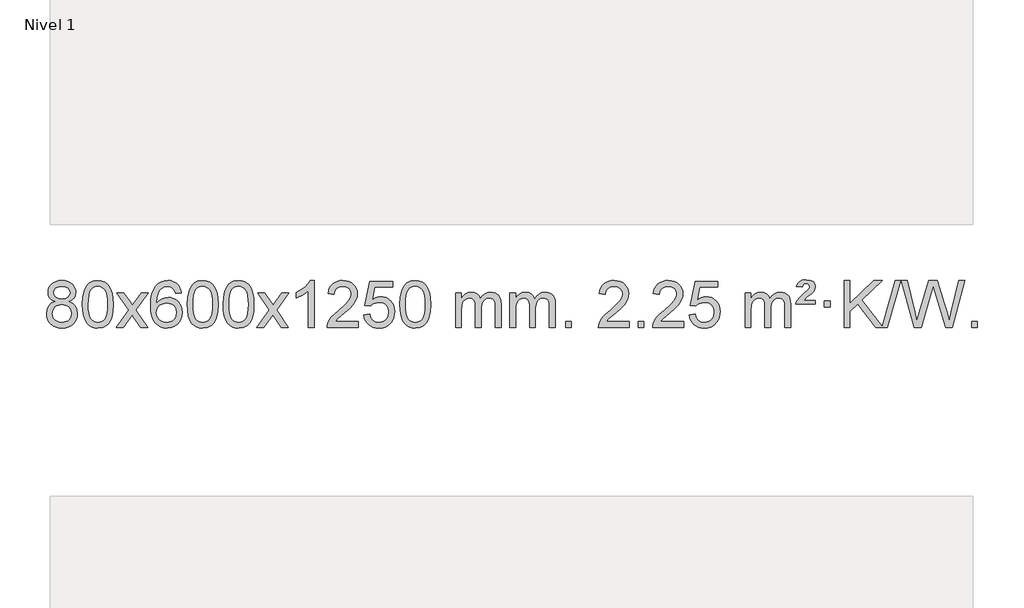
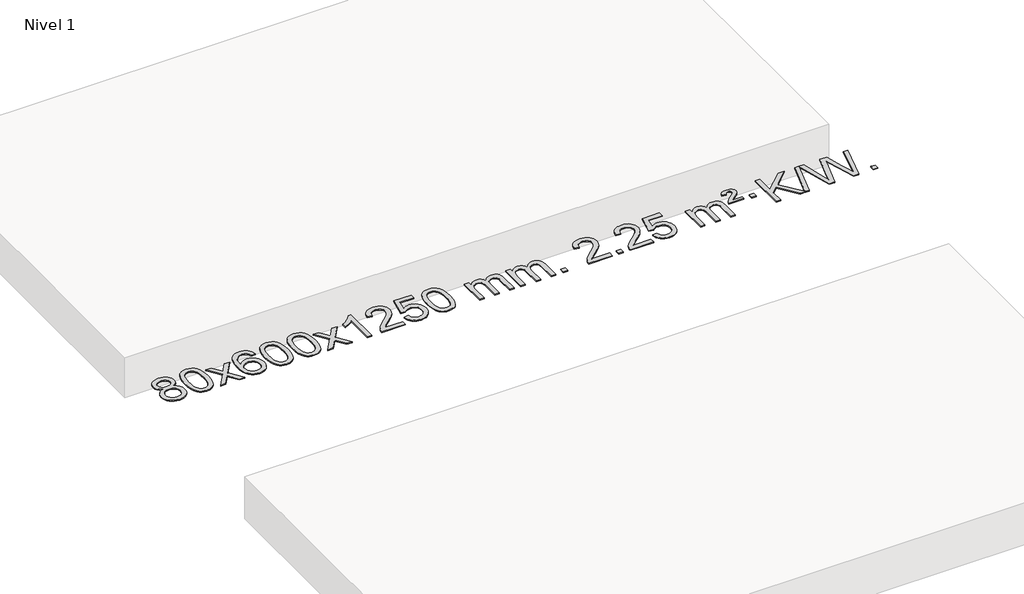
# One storey, part 4 of 10: 1 proxy.
"""IFC4 building model written with IfcOpenShell, lengths in millimetres."""

from ifc_helpers import new_model, si_unit, origin, origin_with_axes, place, context, project, spatial, polyline, outline, extrude, element, save

model = new_model("IFC4")

# Units and contexts
model_context = context("Model", 3, world=origin())
ifc_project = project(units=[si_unit("LENGTHUNIT", "METRE", prefix="MILLI")], contexts=[model_context])

# Site, building, storey
site = spatial("IfcSite", under=ifc_project)
building = spatial("IfcBuilding", under=site)
storey = spatial("IfcBuildingStorey", under=building, Name="Nivel 1", Elevation=0.0)

# Proxy
placement = place(None, origin())
element("IfcBuildingElementProxy", 1, Name="Texto de modelo 1", ObjectType="Texto de modelo 1", at=placement, inside=storey, context=model_context, shape_type="SweptSolid", body=[
    extrude(outline(polyline([(-30019.0257835, -5885.7435675), (-30045.9179573, -5872.4998157), (-30064.7903037, -5854.5471743), (-30075.9371281, -5832.2535254), (-30079.6527363, -5805.9867509), (-30077.6293853, -5785.5018552), (-30071.5593324, -5766.7214793), (-30061.4425775, -5749.6456234), (-30047.2791207, -5734.2742874), (-30029.7495437, -5721.5700958), (-30009.534428, -5712.4956732), (-29986.6337738, -5707.0510197), (-29961.0475811, -5705.2361352), (-29935.338761, -5707.0939393), (-29912.2664285, -5712.6673515), (-29891.8305837, -5721.9563719), (-29874.0312265, -5734.9610004), (-29859.6102523, -5750.6327734), (-29849.3095564, -5767.9232272), (-29843.1291389, -5786.8323617), (-29841.0689997, -5807.3601771), (-29844.7355569, -5832.7808229), (-29855.7352286, -5854.6943271), (-29874.190642, -5872.5366039), (-29900.2244245, -5885.7435675), (-29869.3100742, -5901.6728579), (-29846.8079588, -5925.1314665), (-29833.0859604, -5954.9912217), (-29828.5119609, -5990.1239523), (-29830.7805666, -6015.1767161), (-29837.5863835, -6038.1448154), (-29848.9294117, -6059.02825), (-29864.8096511, -6077.8270199), (-29884.393236, -6093.3639028), (-29906.8463004, -6104.4616764), (-29932.1688444, -6111.1203405), (-29960.360868, -6113.3398952), (-29988.5528916, -6111.1111434), (-30013.8754356, -6104.4248882), (-30036.3285, -6093.2811294), (-30055.9120849, -6077.6798671), (-30071.7923243, -6058.7492728), (-30083.1353525, -6037.6175178), (-30089.9411694, -6014.2846023), (-30092.2097751, -5988.7505262), (-30087.4518346, -5952.2566322), (-30073.1780132, -5922.2374614), (-30050.1240748, -5899.7230833), (-30019.0257835, -5885.7435675)]), holes=[polyline([(-30029.4245812, -5807.4582789), (-30024.9732091, -5829.3840458), (-30011.6190927, -5846.8952288), (-29989.7546394, -5858.3731471), (-29959.7722568, -5862.1991198), (-29930.48885, -5858.3976725), (-29908.9554905, -5846.9933307), (-29895.7117387, -5830.0707589), (-29891.2971548, -5809.7146218), (-29895.8588915, -5788.5859326), (-29909.5441017, -5771.1115378), (-29931.3717668, -5759.3761022), (-29960.360868, -5755.4642903), (-29989.5339102, -5759.290263), (-30011.3247871, -5770.7681813), (-30024.8996327, -5787.5926512), (-30029.4245812, -5807.4582789)]), polyline([(-30041.98162, -5986.9846926), (-30039.8846926, -6006.2003955), (-30033.5939105, -6024.8029617), (-30021.9811022, -6041.0265577), (-30003.9180962, -6053.1053498), (-29982.2866349, -6060.6101425), (-29959.9684605, -6063.1117401), (-29925.7799604, -6057.8510276), (-29911.8862838, -6051.2751369), (-29900.1263227, -6042.06889), (-29884.0866677, -6018.168823), (-29878.740116, -5988.5543224), (-29884.2583459, -5958.4370498), (-29900.8130357, -5934.0096853), (-29912.8918279, -5924.5673807), (-29927.0552847, -5917.8228775), (-29961.6361922, -5912.4272749), (-29995.3464457, -5917.7493011), (-30009.0837726, -5924.4018338), (-30020.7425661, -5933.7153797), (-30036.6718565, -5957.6767603), (-30041.98162, -5986.9846926)])]), origin_with_axes(), (0.0, 0.0, 1.0), 10.0),
    extrude(outline(polyline([(-29784.5623252, -5909.3861171), (-29780.8712425, -5845.0680816), (-29769.7979945, -5793.7730687), (-29751.4529457, -5754.7162636), (-29739.5948827, -5739.4828833), (-29725.9464607, -5727.1128512), (-29710.4616944, -5717.5417879), (-29693.0945985, -5710.7053142), (-29652.7134182, -5705.2361352), (-29621.7622796, -5708.4734968), (-29594.0485027, -5718.1855814), (-29570.871937, -5733.9922445), (-29553.5324323, -5755.5133412), (-29540.4358332, -5782.5649306), (-29529.9879846, -5814.9630716), (-29523.1453795, -5856.1045414), (-29520.8645111, -5909.3861171), (-29524.5188056, -5973.3362706), (-29535.481689, -6024.5086561), (-29553.7163733, -6063.6022494), (-29565.5468451, -6078.881615), (-29579.1860701, -6091.3160264), (-29594.6892305, -6100.951469), (-29612.1115086, -6107.833928), (-29652.7134182, -6113.3398952), (-29680.3781442, -6110.9486622), (-29704.9036105, -6103.7749633), (-29726.2898172, -6091.8187985), (-29744.5367642, -6075.0801677), (-29762.0479471, -6044.8218736), (-29774.555935, -6007.1201004), (-29782.0607277, -5961.9748483), (-29784.5623252, -5909.3861171)]), holes=[polyline([(-29734.3341702, -5909.2880152), (-29732.8626422, -5952.9525423), (-29728.4480582, -5988.296805), (-29721.0904183, -6015.3208033), (-29710.7897225, -6034.024537), (-29698.3307856, -6046.7501884), (-29684.4984225, -6055.8399393), (-29669.2926334, -6061.2937899), (-29652.7134182, -6063.1117401), (-29636.1342029, -6061.2876586), (-29620.9284138, -6055.8154139), (-29607.0960508, -6046.6950061), (-29594.6371139, -6033.9264352), (-29584.336418, -6015.1920446), (-29576.9787781, -5988.1741777), (-29572.5641941, -5952.8728346), (-29571.0926662, -5909.2880152), (-29572.5151432, -5866.7792507), (-29576.7825744, -5832.0573217), (-29583.8949596, -5805.1222283), (-29593.8522989, -5785.9739704), (-29606.1027694, -5772.6259854), (-29620.0945479, -5763.0917103), (-29635.8276346, -5757.3711453), (-29653.3020294, -5755.4642903), (-29669.7954055, -5757.1442847), (-29684.7436772, -5762.1842681), (-29698.1468446, -5770.5842403), (-29710.0049075, -5782.3442014), (-29720.6489599, -5803.1908478), (-29728.2518545, -5831.2970322), (-29732.8135912, -5866.6627547), (-29734.3341702, -5909.2880152)])]), origin_with_axes(), (0.0, 0.0, 1.0), 10.0),
    extrude(outline(polyline([(-29495.7504336, -6107.0613758), (-29388.4269928, -5958.7313553), (-29489.4719142, -5811.9709647), (-29429.0411651, -5811.9709647), (-29380.284538, -5882.6043078), (-29357.5249052, -5915.958942), (-29337.8064303, -5888.6866235), (-29282.2807745, -5811.9709647), (-29221.8500254, -5811.9709647), (-29327.9962438, -5958.7313553), (-29225.7741, -6107.0613758), (-29286.2048491, -6107.0613758), (-29347.7147187, -6017.8867802), (-29358.9964332, -6001.6018705), (-29435.3196845, -6107.0613758), (-29495.7504336, -6107.0613758)])), origin_with_axes(), (0.0, 0.0, 1.0), 10.0),
    extrude(outline(polyline([(-28936.9622083, -5811.9709647), (-28987.1903634, -5818.2494841), (-28995.2837673, -5793.3561358), (-29006.2221253, -5776.3599876), (-29029.0062835, -5760.6882146), (-29056.5483822, -5755.4642903), (-29079.8966262, -5758.5054481), (-29101.8714441, -5767.6289216), (-29120.7437904, -5786.8446245), (-29136.158046, -5813.2953399), (-29146.5691065, -5850.7089388), (-29150.4318674, -5902.8132921), (-29130.2841968, -5879.3056326), (-29106.1388752, -5862.7386801), (-29079.3448032, -5852.9162308), (-29051.2508815, -5849.642081), (-29027.1178226, -5851.8800298), (-29004.8486992, -5858.5938763), (-28984.4435112, -5869.7836203), (-28965.9022586, -5885.4492619), (-28950.4941344, -5904.6588334), (-28939.4883314, -5926.4803671), (-28932.8848496, -5950.9138629), (-28930.683689, -5977.959321), (-28934.8284928, -6013.9259174), (-28947.2629042, -6047.2682889), (-28966.9568537, -6075.5461515), (-28992.8802716, -6096.3192215), (-29023.8559356, -6109.0847268), (-29058.7066233, -6113.3398952), (-29088.649152, -6110.5194666), (-29115.6915443, -6102.0581807), (-29139.8338003, -6087.9560375), (-29161.0759198, -6068.2130371), (-29178.3939647, -6041.9953136), (-29190.7639968, -6008.4690011), (-29198.1860161, -5967.6340996), (-29200.6600225, -5919.4906092), (-29197.9131703, -5865.5161891), (-29189.6726136, -5819.451232), (-29175.9383524, -5781.2957377), (-29156.7103868, -5751.0497063), (-29135.8698718, -5731.006269), (-29111.7061561, -5716.689528), (-29084.2192396, -5708.0994834), (-29053.4091226, -5705.2361352), (-29030.2754764, -5707.0081001), (-29009.3368595, -5712.323995), (-28990.5932719, -5721.1838197), (-28974.0447135, -5733.5875743), (-28960.138774, -5749.1183259), (-28949.3230434, -5767.3591415), (-28941.5975215, -5788.3100211), (-28936.9622083, -5811.9709647)]), holes=[polyline([(-29150.4318674, -5977.174506), (-29147.5255997, -5999.4313667), (-29138.8067964, -6020.6826833), (-29125.2687389, -6038.9541558), (-29107.9047088, -6052.271484), (-29086.9476978, -6060.4016761), (-29062.6306979, -6063.1117401), (-29029.4845301, -6057.4954083), (-29015.5693937, -6050.4749936), (-29003.4262221, -6040.6464129), (-28993.5761817, -6028.4082052), (-28986.5404386, -6014.1589093), (-28980.911844, -5979.6270527), (-28986.4668622, -5946.4808849), (-28993.4106348, -5932.860054), (-29003.1319165, -5921.2073918), (-29015.3118763, -5911.8723862), (-29029.6316829, -5905.204525), (-29064.6908371, -5899.8702361), (-29097.7879539, -5905.204525), (-29125.4649427, -5921.2073918), (-29136.3879722, -5932.7067699), (-29144.1901362, -5945.8677482), (-29148.8714346, -5960.690327), (-29150.4318674, -5977.174506)])]), origin_with_axes(), (0.0, 0.0, 1.0), 10.0),
    extrude(outline(polyline([(-28886.7340533, -5909.3861171), (-28883.0429706, -5845.0680816), (-28871.9697225, -5793.7730687), (-28853.6246737, -5754.7162636), (-28841.7666107, -5739.4828833), (-28828.1181887, -5727.1128512), (-28812.6334224, -5717.5417879), (-28795.2663265, -5710.7053142), (-28754.8851462, -5705.2361352), (-28723.9340077, -5708.4734968), (-28696.2202307, -5718.1855814), (-28673.043665, -5733.9922445), (-28655.7041603, -5755.5133412), (-28642.6075613, -5782.5649306), (-28632.1597126, -5814.9630716), (-28625.3171075, -5856.1045414), (-28623.0362391, -5909.3861171), (-28626.6905336, -5973.3362706), (-28637.6534171, -6024.5086561), (-28655.8881013, -6063.6022494), (-28667.7185731, -6078.881615), (-28681.3577981, -6091.3160264), (-28696.8609585, -6100.951469), (-28714.2832367, -6107.833928), (-28754.8851462, -6113.3398952), (-28782.5498722, -6110.9486622), (-28807.0753386, -6103.7749633), (-28828.4615452, -6091.8187985), (-28846.7084922, -6075.0801677), (-28864.2196752, -6044.8218736), (-28876.727663, -6007.1201004), (-28884.2324557, -5961.9748483), (-28886.7340533, -5909.3861171)]), holes=[polyline([(-28836.5058982, -5909.2880152), (-28835.0343702, -5952.9525423), (-28830.6197863, -5988.296805), (-28823.2621464, -6015.3208033), (-28812.9614505, -6034.024537), (-28800.5025136, -6046.7501884), (-28786.6701506, -6055.8399393), (-28771.4643615, -6061.2937899), (-28754.8851462, -6063.1117401), (-28738.305931, -6061.2876586), (-28723.1001418, -6055.8154139), (-28709.2677788, -6046.6950061), (-28696.8088419, -6033.9264352), (-28686.508146, -6015.1920446), (-28679.1505061, -5988.1741777), (-28674.7359222, -5952.8728346), (-28673.2643942, -5909.2880152), (-28674.6868713, -5866.7792507), (-28678.9543024, -5832.0573217), (-28686.0666876, -5805.1222283), (-28696.024027, -5785.9739704), (-28708.2744974, -5772.6259854), (-28722.266276, -5763.0917103), (-28737.9993626, -5757.3711453), (-28755.4737574, -5755.4642903), (-28771.9671335, -5757.1442847), (-28786.9154052, -5762.1842681), (-28800.3185726, -5770.5842403), (-28812.1766356, -5782.3442014), (-28822.820688, -5803.1908478), (-28830.4235825, -5831.2970322), (-28834.9853193, -5866.6627547), (-28836.5058982, -5909.2880152)])]), origin_with_axes(), (0.0, 0.0, 1.0), 10.0),
    extrude(outline(polyline([(-28579.0866034, -5909.3861171), (-28575.3955208, -5845.0680816), (-28564.3222727, -5793.7730687), (-28545.9772239, -5754.7162636), (-28534.1191609, -5739.4828833), (-28520.4707389, -5727.1128512), (-28504.9859726, -5717.5417879), (-28487.6188767, -5710.7053142), (-28447.2376964, -5705.2361352), (-28416.2865578, -5708.4734968), (-28388.5727809, -5718.1855814), (-28365.3962152, -5733.9922445), (-28348.0567105, -5755.5133412), (-28334.9601114, -5782.5649306), (-28324.5122628, -5814.9630716), (-28317.6696577, -5856.1045414), (-28315.3887893, -5909.3861171), (-28319.0430838, -5973.3362706), (-28330.0059672, -6024.5086561), (-28348.2406515, -6063.6022494), (-28360.0711233, -6078.881615), (-28373.7103483, -6091.3160264), (-28389.2135087, -6100.951469), (-28406.6357868, -6107.833928), (-28447.2376964, -6113.3398952), (-28474.9024224, -6110.9486622), (-28499.4278887, -6103.7749633), (-28520.8140954, -6091.8187985), (-28539.0610424, -6075.0801677), (-28556.5722253, -6044.8218736), (-28569.0802132, -6007.1201004), (-28576.5850059, -5961.9748483), (-28579.0866034, -5909.3861171)]), holes=[polyline([(-28528.8584484, -5909.2880152), (-28527.3869204, -5952.9525423), (-28522.9723364, -5988.296805), (-28515.6146965, -6015.3208033), (-28505.3140007, -6034.024537), (-28492.8550638, -6046.7501884), (-28479.0227008, -6055.8399393), (-28463.8169116, -6061.2937899), (-28447.2376964, -6063.1117401), (-28430.6584811, -6061.2876586), (-28415.452692, -6055.8154139), (-28401.620329, -6046.6950061), (-28389.1613921, -6033.9264352), (-28378.8606962, -6015.1920446), (-28371.5030563, -5988.1741777), (-28367.0884724, -5952.8728346), (-28365.6169444, -5909.2880152), (-28367.0394214, -5866.7792507), (-28371.3068526, -5832.0573217), (-28378.4192378, -5805.1222283), (-28388.3765771, -5785.9739704), (-28400.6270476, -5772.6259854), (-28414.6188261, -5763.0917103), (-28430.3519128, -5757.3711453), (-28447.8263076, -5755.4642903), (-28464.3196837, -5757.1442847), (-28479.2679554, -5762.1842681), (-28492.6711228, -5770.5842403), (-28504.5291857, -5782.3442014), (-28515.1732381, -5803.1908478), (-28522.7761327, -5831.2970322), (-28527.3378695, -5866.6627547), (-28528.8584484, -5909.2880152)])]), origin_with_axes(), (0.0, 0.0, 1.0), 10.0),
    extrude(outline(polyline([(-28290.2747118, -6107.0613758), (-28182.951271, -5958.7313553), (-28283.9961924, -5811.9709647), (-28223.5654433, -5811.9709647), (-28174.8088162, -5882.6043078), (-28152.0491834, -5915.958942), (-28132.3307085, -5888.6866235), (-28076.8050527, -5811.9709647), (-28016.3743036, -5811.9709647), (-28122.520522, -5958.7313553), (-28020.2983782, -6107.0613758), (-28080.7291273, -6107.0613758), (-28142.2389969, -6017.8867802), (-28153.5207114, -6001.6018705), (-28229.8439627, -6107.0613758), (-28290.2747118, -6107.0613758)])), origin_with_axes(), (0.0, 0.0, 1.0), 10.0),
    extrude(outline(polyline([(-27800.5501998, -6107.0613758), (-27850.7783549, -6107.0613758), (-27850.7783549, -5793.9202215), (-27871.7476286, -5810.8795815), (-27898.3577596, -5827.814416), (-27951.234665, -5853.1737482), (-27951.234665, -5805.6924454), (-27911.7854524, -5784.2326623), (-27877.609215, -5758.7016518), (-27850.6679903, -5731.5519606), (-27832.9238154, -5705.2361352), (-27800.5501998, -5705.2361352), (-27800.5501998, -6107.0613758)])), origin_with_axes(), (0.0, 0.0, 1.0), 10.0),
    extrude(outline(polyline([(-27423.8390367, -6056.8332207), (-27423.8390367, -6107.0613758), (-27687.5368509, -6107.0613758), (-27686.4332049, -6089.3785146), (-27682.1412483, -6072.4314173), (-27669.7558878, -6045.3675652), (-27651.6315681, -6019.1130535), (-27625.4138446, -5991.6322684), (-27588.7482724, -5960.8895964), (-27534.5469918, -5912.746106), (-27502.0262234, -5877.2087052), (-27485.7658392, -5848.3667568), (-27480.3457112, -5820.3096233), (-27485.4592709, -5795.1587576), (-27500.7999501, -5774.2507975), (-27524.381186, -5760.1609171), (-27554.2164158, -5755.4642903), (-27585.5476991, -5760.0505525), (-27609.8892244, -5773.8093391), (-27625.5977856, -5795.6615296), (-27631.0301764, -5824.5280035), (-27681.2583315, -5818.2494841), (-27676.9387837, -5792.3199348), (-27669.0814374, -5769.6645353), (-27657.6862926, -5750.2832855), (-27642.7533493, -5734.1761855), (-27624.625964, -5721.5149135), (-27603.6474932, -5712.4711478), (-27579.817937, -5707.0448883), (-27553.1372953, -5705.2361352), (-27526.2175303, -5707.2472234), (-27502.2592154, -5713.2804882), (-27481.2623505, -5723.3359294), (-27463.2269357, -5737.413547), (-27448.7415821, -5754.4710089), (-27438.394901, -5773.4659826), (-27432.1868923, -5794.3984681), (-27430.1175561, -5817.2684655), (-27432.3493735, -5841.2911598), (-27439.0448259, -5864.8969211), (-27450.9274143, -5888.9073527), (-27468.7206401, -5914.1440575), (-27497.084342, -5944.2735929), (-27540.6783584, -5982.9625161), (-27598.4603571, -6031.2776848), (-27621.121888, -6056.8332207), (-27423.8390367, -6056.8332207)])), origin_with_axes(), (0.0, 0.0, 1.0), 10.0),
    extrude(outline(polyline([(-27373.6108816, -6000.3265463), (-27323.3827266, -5994.0480269), (-27314.1611512, -6024.2020878), (-27298.0724453, -6045.7967609), (-27275.1901852, -6058.7829953), (-27245.5879473, -6063.1117401), (-27226.4580836, -6061.6064896), (-27209.5845627, -6057.0907381), (-27194.9673848, -6049.5644856), (-27182.6065497, -6039.0277322), (-27172.7779691, -6026.0016438), (-27165.7575544, -6011.0073869), (-27160.1412226, -5975.1143669), (-27165.4019351, -5941.3182742), (-27171.9778258, -5927.4000721), (-27181.1840727, -5915.4684327), (-27193.0513327, -5905.8973695), (-27207.6102627, -5899.0608957), (-27244.8031324, -5893.5917167), (-27269.1691832, -5895.7744832), (-27288.8999209, -5902.3227828), (-27304.657533, -5912.3536985), (-27317.1042072, -5924.9843137), (-27367.3323623, -5918.7057943), (-27323.3827266, -5711.5146546), (-27128.7486257, -5711.5146546), (-27128.7486257, -5761.7428097), (-27282.7685543, -5761.7428097), (-27304.2528628, -5872.4017138), (-27286.527082, -5859.6975222), (-27268.3721056, -5850.6230997), (-27249.7879334, -5845.1784462), (-27230.7745656, -5843.3635617), (-27206.3134787, -5845.6137732), (-27183.8450858, -5852.3644078), (-27163.3693871, -5863.6154655), (-27144.8863825, -5879.3669463), (-27129.5855572, -5898.6562255), (-27118.6563963, -5920.5206788), (-27112.0988997, -5944.960306), (-27109.9130675, -5971.9751072), (-27111.8812362, -5997.996627), (-27117.7857422, -6022.2032622), (-27127.6265856, -6044.595013), (-27141.4037663, -6065.1718793), (-27162.2749381, -6086.2453862), (-27186.6287262, -6101.2978912), (-27214.4651305, -6110.3293942), (-27245.7841511, -6113.3398952), (-27271.7045033, -6111.405449), (-27295.1171266, -6105.6021106), (-27316.022021, -6095.9298798), (-27334.4191864, -6082.3887567), (-27349.7261431, -6065.6531916), (-27361.3604112, -6046.3976348), (-27369.3219907, -6024.6220864), (-27373.6108816, -6000.3265463)])), origin_with_axes(), (0.0, 0.0, 1.0), 10.0),
    extrude(outline(polyline([(-27065.9634318, -5909.3861171), (-27062.2723491, -5845.0680816), (-27051.1991011, -5793.7730687), (-27032.8540522, -5754.7162636), (-27020.9959893, -5739.4828833), (-27007.3475672, -5727.1128512), (-26991.8628009, -5717.5417879), (-26974.4957051, -5710.7053142), (-26934.1145247, -5705.2361352), (-26903.1633862, -5708.4734968), (-26875.4496092, -5718.1855814), (-26852.2730435, -5733.9922445), (-26834.9335388, -5755.5133412), (-26821.8369398, -5782.5649306), (-26811.3890911, -5814.9630716), (-26804.546486, -5856.1045414), (-26802.2656177, -5909.3861171), (-26805.9199122, -5973.3362706), (-26816.8827956, -6024.5086561), (-26835.1174798, -6063.6022494), (-26846.9479517, -6078.881615), (-26860.5871766, -6091.3160264), (-26876.090337, -6100.951469), (-26893.5126152, -6107.833928), (-26934.1145247, -6113.3398952), (-26961.7792508, -6110.9486622), (-26986.3047171, -6103.7749633), (-27007.6909238, -6091.8187985), (-27025.9378707, -6075.0801677), (-27043.4490537, -6044.8218736), (-27055.9570415, -6007.1201004), (-27063.4618342, -5961.9748483), (-27065.9634318, -5909.3861171)]), holes=[polyline([(-27015.7352767, -5909.2880152), (-27014.2637488, -5952.9525423), (-27009.8491648, -5988.296805), (-27002.4915249, -6015.3208033), (-26992.190829, -6034.024537), (-26979.7318921, -6046.7501884), (-26965.8995291, -6055.8399393), (-26950.69374, -6061.2937899), (-26934.1145247, -6063.1117401), (-26917.5353095, -6061.2876586), (-26902.3295204, -6055.8154139), (-26888.4971573, -6046.6950061), (-26876.0382204, -6033.9264352), (-26865.7375246, -6015.1920446), (-26858.3798847, -5988.1741777), (-26853.9653007, -5952.8728346), (-26852.4937727, -5909.2880152), (-26853.9162498, -5866.7792507), (-26858.1836809, -5832.0573217), (-26865.2960662, -5805.1222283), (-26875.2534055, -5785.9739704), (-26887.503876, -5772.6259854), (-26901.4956545, -5763.0917103), (-26917.2287412, -5757.3711453), (-26934.7031359, -5755.4642903), (-26951.196512, -5757.1442847), (-26966.1447838, -5762.1842681), (-26979.5479511, -5770.5842403), (-26991.4060141, -5782.3442014), (-27002.0500665, -5803.1908478), (-27009.6529611, -5831.2970322), (-27014.2146978, -5866.6627547), (-27015.7352767, -5909.2880152)])]), origin_with_axes(), (0.0, 0.0, 1.0), 10.0),
    extrude(outline(polyline([(-26588.7959586, -6107.0613758), (-26588.7959586, -5811.9709647), (-26538.5678035, -5811.9709647), (-26538.5678035, -5860.5313881), (-26523.4601163, -5838.2254765), (-26504.0359469, -5820.7510817), (-26480.9574831, -5809.4571044), (-26454.8869124, -5805.6924454), (-26426.9524062, -5809.5306808), (-26404.5606554, -5821.0453873), (-26387.8342874, -5839.4762752), (-26376.8959294, -5864.0630553), (-26358.5876688, -5838.5259134), (-26337.7042342, -5820.2850978), (-26314.2456256, -5809.3406085), (-26288.2118431, -5805.6924454), (-26268.1040264, -5807.2099586), (-26250.4548876, -5811.7624983), (-26235.2644269, -5819.3500644), (-26222.5326442, -5829.972657), (-26212.468006, -5843.7529034), (-26205.2789786, -5860.813431), (-26200.9655622, -5881.1542396), (-26199.5277568, -5904.7753294), (-26199.5277568, -6107.0613758), (-26249.7559118, -6107.0613758), (-26249.7559118, -5926.3577398), (-26250.9208715, -5901.3049759), (-26254.4157505, -5884.4191923), (-26260.96405, -5872.8554349), (-26271.2892713, -5863.7687497), (-26284.5698113, -5857.8826377), (-26299.9840669, -5855.9206004), (-26327.1950718, -5860.948321), (-26349.3783561, -5876.0314828), (-26357.9837291, -5887.6013716), (-26364.1304241, -5902.2001554), (-26369.0477801, -5940.4844084), (-26369.0477801, -6107.0613758), (-26419.2759352, -6107.0613758), (-26419.2759352, -5920.7659334), (-26422.182203, -5892.3654434), (-26430.9010063, -5872.1074082), (-26446.2416855, -5859.9673024), (-26469.013581, -5855.9206004), (-26488.3641739, -5858.6184017), (-26506.1941879, -5866.7118056), (-26520.9094678, -5880.0046084), (-26530.915858, -5898.3006063), (-26536.6548172, -5923.6844639), (-26538.5678035, -5958.240846), (-26538.5678035, -6107.0613758), (-26588.7959586, -6107.0613758)])), origin_with_axes(), (0.0, 0.0, 1.0), 10.0),
    extrude(outline(polyline([(-26124.1855242, -6107.0613758), (-26124.1855242, -5811.9709647), (-26073.9573691, -5811.9709647), (-26073.9573691, -5860.5313881), (-26058.8496818, -5838.2254765), (-26039.4255125, -5820.7510817), (-26016.3470486, -5809.4571044), (-25990.2764779, -5805.6924454), (-25962.3419717, -5809.5306808), (-25939.950221, -5821.0453873), (-25923.2238529, -5839.4762752), (-25912.2854949, -5864.0630553), (-25893.9772343, -5838.5259134), (-25873.0937997, -5820.2850978), (-25849.6351912, -5809.3406085), (-25823.6014086, -5805.6924454), (-25803.4935919, -5807.2099586), (-25785.8444532, -5811.7624983), (-25770.6539925, -5819.3500644), (-25757.9222098, -5829.972657), (-25747.8575715, -5843.7529034), (-25740.6685442, -5860.813431), (-25736.3551278, -5881.1542396), (-25734.9173223, -5904.7753294), (-25734.9173223, -6107.0613758), (-25785.1454774, -6107.0613758), (-25785.1454774, -5926.3577398), (-25786.3104371, -5901.3049759), (-25789.805316, -5884.4191923), (-25796.3536155, -5872.8554349), (-25806.6788369, -5863.7687497), (-25819.9593769, -5857.8826377), (-25835.3736325, -5855.9206004), (-25862.5846374, -5860.948321), (-25884.7679217, -5876.0314828), (-25893.3732947, -5887.6013716), (-25899.5199897, -5902.2001554), (-25904.4373457, -5940.4844084), (-25904.4373457, -6107.0613758), (-25954.6655008, -6107.0613758), (-25954.6655008, -5920.7659334), (-25957.5717685, -5892.3654434), (-25966.2905718, -5872.1074082), (-25981.631251, -5859.9673024), (-26004.4031465, -5855.9206004), (-26023.7537395, -5858.6184017), (-26041.5837535, -5866.7118056), (-26056.2990333, -5880.0046084), (-26066.3054236, -5898.3006063), (-26072.0443827, -5923.6844639), (-26073.9573691, -5958.240846), (-26073.9573691, -6107.0613758), (-26124.1855242, -6107.0613758)])), origin_with_axes(), (0.0, 0.0, 1.0), 10.0),
    extrude(outline(polyline([(-25647.0180509, -6107.0613758), (-25647.0180509, -6056.8332207), (-25596.7898959, -6056.8332207), (-25596.7898959, -6107.0613758), (-25647.0180509, -6107.0613758)])), origin_with_axes(), (0.0, 0.0, 1.0), 10.0),
    extrude(outline(polyline([(-25100.7868645, -6056.8332207), (-25100.7868645, -6107.0613758), (-25364.4846787, -6107.0613758), (-25363.3810327, -6089.3785146), (-25359.0890761, -6072.4314173), (-25346.7037156, -6045.3675652), (-25328.5793959, -6019.1130535), (-25302.3616724, -5991.6322684), (-25265.6961002, -5960.8895964), (-25211.4948196, -5912.746106), (-25178.9740512, -5877.2087052), (-25162.713667, -5848.3667568), (-25157.293539, -5820.3096233), (-25162.4070987, -5795.1587576), (-25177.7477779, -5774.2507975), (-25201.3290138, -5760.1609171), (-25231.1642436, -5755.4642903), (-25262.4955269, -5760.0505525), (-25286.8370522, -5773.8093391), (-25302.5456134, -5795.6615296), (-25307.9780042, -5824.5280035), (-25358.2061593, -5818.2494841), (-25353.8866115, -5792.3199348), (-25346.0292652, -5769.6645353), (-25334.6341204, -5750.2832855), (-25319.7011771, -5734.1761855), (-25301.5737918, -5721.5149135), (-25280.595321, -5712.4711478), (-25256.7657648, -5707.0448883), (-25230.0851231, -5705.2361352), (-25203.1653581, -5707.2472234), (-25179.2070431, -5713.2804882), (-25158.2101783, -5723.3359294), (-25140.1747635, -5737.413547), (-25125.6894099, -5754.4710089), (-25115.3427288, -5773.4659826), (-25109.1347201, -5794.3984681), (-25107.0653839, -5817.2684655), (-25109.2972013, -5841.2911598), (-25115.9926536, -5864.8969211), (-25127.8752421, -5888.9073527), (-25145.6684679, -5914.1440575), (-25174.0321697, -5944.2735929), (-25217.6261862, -5982.9625161), (-25275.4081849, -6031.2776848), (-25298.0697158, -6056.8332207), (-25100.7868645, -6056.8332207)])), origin_with_axes(), (0.0, 0.0, 1.0), 10.0),
    extrude(outline(polyline([(-25025.4446319, -6107.0613758), (-25025.4446319, -6056.8332207), (-24975.2164768, -6056.8332207), (-24975.2164768, -6107.0613758), (-25025.4446319, -6107.0613758)])), origin_with_axes(), (0.0, 0.0, 1.0), 10.0),
    extrude(outline(polyline([(-24636.1764301, -6056.8332207), (-24636.1764301, -6107.0613758), (-24899.8742442, -6107.0613758), (-24898.7705982, -6089.3785146), (-24894.4786416, -6072.4314173), (-24882.0932811, -6045.3675652), (-24863.9689615, -6019.1130535), (-24837.751238, -5991.6322684), (-24801.0856658, -5960.8895964), (-24746.8843851, -5912.746106), (-24714.3636168, -5877.2087052), (-24698.1032326, -5848.3667568), (-24692.6831045, -5820.3096233), (-24697.7966643, -5795.1587576), (-24713.1373435, -5774.2507975), (-24736.7185793, -5760.1609171), (-24766.5538092, -5755.4642903), (-24797.8850924, -5760.0505525), (-24822.2266178, -5773.8093391), (-24837.935179, -5795.6615296), (-24843.3675698, -5824.5280035), (-24893.5957248, -5818.2494841), (-24889.2761771, -5792.3199348), (-24881.4188308, -5769.6645353), (-24870.023686, -5750.2832855), (-24855.0907427, -5734.1761855), (-24836.9633574, -5721.5149135), (-24815.9848866, -5712.4711478), (-24792.1553303, -5707.0448883), (-24765.4746886, -5705.2361352), (-24738.5549236, -5707.2472234), (-24714.5966087, -5713.2804882), (-24693.5997438, -5723.3359294), (-24675.564329, -5737.413547), (-24661.0789755, -5754.4710089), (-24650.7322943, -5773.4659826), (-24644.5242857, -5794.3984681), (-24642.4549495, -5817.2684655), (-24644.6867669, -5841.2911598), (-24651.3822192, -5864.8969211), (-24663.2648076, -5888.9073527), (-24681.0580335, -5914.1440575), (-24709.4217353, -5944.2735929), (-24753.0157517, -5982.9625161), (-24810.7977504, -6031.2776848), (-24833.4592813, -6056.8332207), (-24636.1764301, -6056.8332207)])), origin_with_axes(), (0.0, 0.0, 1.0), 10.0),
    extrude(outline(polyline([(-24585.948275, -6000.3265463), (-24535.7201199, -5994.0480269), (-24526.4985446, -6024.2020878), (-24510.4098386, -6045.7967609), (-24487.5275785, -6058.7829953), (-24457.9253407, -6063.1117401), (-24438.7954769, -6061.6064896), (-24421.9219561, -6057.0907381), (-24407.3047781, -6049.5644856), (-24394.9439431, -6039.0277322), (-24385.1153625, -6026.0016438), (-24378.0949477, -6011.0073869), (-24372.4786159, -5975.1143669), (-24377.7393285, -5941.3182742), (-24384.3152191, -5927.4000721), (-24393.521466, -5915.4684327), (-24405.3887261, -5905.8973695), (-24419.947656, -5899.0608957), (-24457.1405257, -5893.5917167), (-24481.5065766, -5895.7744832), (-24501.2373142, -5902.3227828), (-24516.9949264, -5912.3536985), (-24529.4416005, -5924.9843137), (-24579.6697556, -5918.7057943), (-24535.7201199, -5711.5146546), (-24341.086019, -5711.5146546), (-24341.086019, -5761.7428097), (-24495.1059476, -5761.7428097), (-24516.5902562, -5872.4017138), (-24498.8644754, -5859.6975222), (-24480.7094989, -5850.6230997), (-24462.1253268, -5845.1784462), (-24443.111959, -5843.3635617), (-24418.650872, -5845.6137732), (-24396.1824791, -5852.3644078), (-24375.7067804, -5863.6154655), (-24357.2237759, -5879.3669463), (-24341.9229505, -5898.6562255), (-24330.9937896, -5920.5206788), (-24324.436293, -5944.960306), (-24322.2504608, -5971.9751072), (-24324.2186295, -5997.996627), (-24330.1231355, -6022.2032622), (-24339.9639789, -6044.595013), (-24353.7411596, -6065.1718793), (-24374.6123315, -6086.2453862), (-24398.9661196, -6101.2978912), (-24426.8025239, -6110.3293942), (-24458.1215444, -6113.3398952), (-24484.0418966, -6111.405449), (-24507.45452, -6105.6021106), (-24528.3594143, -6095.9298798), (-24546.7565798, -6082.3887567), (-24562.0635365, -6065.6531916), (-24573.6978046, -6046.3976348), (-24581.6593841, -6024.6220864), (-24585.948275, -6000.3265463)])), origin_with_axes(), (0.0, 0.0, 1.0), 10.0),
    extrude(outline(polyline([(-24108.7808018, -6107.0613758), (-24108.7808018, -5811.9709647), (-24058.5526467, -5811.9709647), (-24058.5526467, -5860.5313881), (-24043.4449594, -5838.2254765), (-24024.0207901, -5820.7510817), (-24000.9423263, -5809.4571044), (-23974.8717555, -5805.6924454), (-23946.9372494, -5809.5306808), (-23924.5454986, -5821.0453873), (-23907.8191305, -5839.4762752), (-23896.8807726, -5864.0630553), (-23878.5725119, -5838.5259134), (-23857.6890773, -5820.2850978), (-23834.2304688, -5809.3406085), (-23808.1966863, -5805.6924454), (-23788.0888695, -5807.2099586), (-23770.4397308, -5811.7624983), (-23755.2492701, -5819.3500644), (-23742.5174874, -5829.972657), (-23732.4528491, -5843.7529034), (-23725.2638218, -5860.813431), (-23720.9504054, -5881.1542396), (-23719.5126, -5904.7753294), (-23719.5126, -6107.0613758), (-23769.740755, -6107.0613758), (-23769.740755, -5926.3577398), (-23770.9057147, -5901.3049759), (-23774.4005936, -5884.4191923), (-23780.9488931, -5872.8554349), (-23791.2741145, -5863.7687497), (-23804.5546545, -5857.8826377), (-23819.9689101, -5855.9206004), (-23847.179915, -5860.948321), (-23869.3631993, -5876.0314828), (-23877.9685723, -5887.6013716), (-23884.1152673, -5902.2001554), (-23889.0326233, -5940.4844084), (-23889.0326233, -6107.0613758), (-23939.2607784, -6107.0613758), (-23939.2607784, -5920.7659334), (-23942.1670462, -5892.3654434), (-23950.8858495, -5872.1074082), (-23966.2265287, -5859.9673024), (-23988.9984242, -5855.9206004), (-24008.3490171, -5858.6184017), (-24026.1790311, -5866.7118056), (-24040.8943109, -5880.0046084), (-24050.9007012, -5898.3006063), (-24056.6396603, -5923.6844639), (-24058.5526467, -5958.240846), (-24058.5526467, -6107.0613758), (-24108.7808018, -6107.0613758)])), origin_with_axes(), (0.0, 0.0, 1.0), 10.0),
    extrude(outline(polyline([(-23675.5629643, -5906.1487555), (-23671.7369915, -5890.3298297), (-23663.398333, -5874.461853), (-23641.889499, -5849.32325), (-23609.9328163, -5821.5849475), (-23565.7869769, -5784.2081368), (-23558.6500662, -5772.6811677), (-23556.271096, -5760.8598929), (-23558.1595569, -5748.768838), (-23563.8249396, -5738.9831769), (-23573.1936677, -5732.5084538), (-23586.1921649, -5730.3502127), (-23598.6265763, -5731.9688935), (-23607.4802697, -5736.8249359), (-23613.9059419, -5746.2917659), (-23619.0562898, -5761.7428097), (-23669.2844449, -5755.4642903), (-23658.4441888, -5730.2521109), (-23641.8159226, -5712.691877), (-23618.0507457, -5702.3911811), (-23585.7997574, -5698.9576158), (-23550.017102, -5703.0901569), (-23525.2709065, -5715.4877801), (-23510.8499323, -5733.8205662), (-23506.0429409, -5755.7585959), (-23510.1386938, -5778.6653814), (-23522.4259524, -5800.2968428), (-23542.9537677, -5820.1134196), (-23579.4231362, -5848.1705531), (-23605.0277231, -5874.7561586), (-23506.0429409, -5874.7561586), (-23506.0429409, -5906.1487555), (-23675.5629643, -5906.1487555)])), origin_with_axes(), (0.0, 0.0, 1.0), 10.0),
    extrude(outline(polyline([(-23430.7007083, -5931.262833), (-23430.7007083, -5881.034678), (-23380.4725532, -5881.034678), (-23380.4725532, -5931.262833), (-23430.7007083, -5931.262833)])), origin_with_axes(), (0.0, 0.0, 1.0), 10.0),
    extrude(outline(polyline([(-22989.8309253, -6107.0613758), (-23143.2622427, -5904.3829219), (-23210.9525298, -5968.9339493), (-23210.9525298, -6107.0613758), (-23261.1806849, -6107.0613758), (-23261.1806849, -5705.2361352), (-23210.9525298, -5705.2361352), (-23210.9525298, -5901.9303753), (-23004.9386125, -5705.2361352), (-22934.6976769, -5705.2361352), (-23107.6512656, -5870.4396765), (-22932.9976557, -6101.016856), (-22821.684328, -5705.2361352), (-22776.3612662, -5705.2361352), (-22889.3746151, -6107.0613758), (-22928.4191575, -6107.0613758), (-22934.6976769, -6107.0613758), (-22989.8309253, -6107.0613758)])), origin_with_axes(), (0.0, 0.0, 1.0), 10.0),
    extrude(outline(polyline([(-22661.8763893, -6107.0613758), (-22771.4561729, -5705.2361352), (-22719.658388, -5705.2361352), (-22656.0883792, -5969.3263568), (-22636.4680062, -6050.8490069), (-22615.474207, -5978.7441359), (-22535.8154923, -5705.2361352), (-22461.1599727, -5705.2361352), (-22403.2798721, -5903.5000051), (-22378.4846257, -5977.0764042), (-22360.2131532, -6050.8490069), (-22341.1813914, -5971.6808016), (-22277.0227714, -5705.2361352), (-22225.2249865, -5705.2361352), (-22334.902872, -6107.0613758), (-22388.5645923, -6107.0613758), (-22484.9006241, -5797.0594812), (-22498.3405797, -5753.7965586), (-22513.448267, -5805.8886491), (-22601.2494365, -6107.0613758), (-22661.8763893, -6107.0613758)])), origin_with_axes(), (0.0, 0.0, 1.0), 10.0),
    extrude(outline(polyline([(-22168.718312, -6107.0613758), (-22168.718312, -6056.8332207), (-22118.4901569, -6056.8332207), (-22118.4901569, -6107.0613758), (-22168.718312, -6107.0613758)])), origin_with_axes(), (0.0, 0.0, 1.0), 10.0),
])

save(model, "model.ifc")
